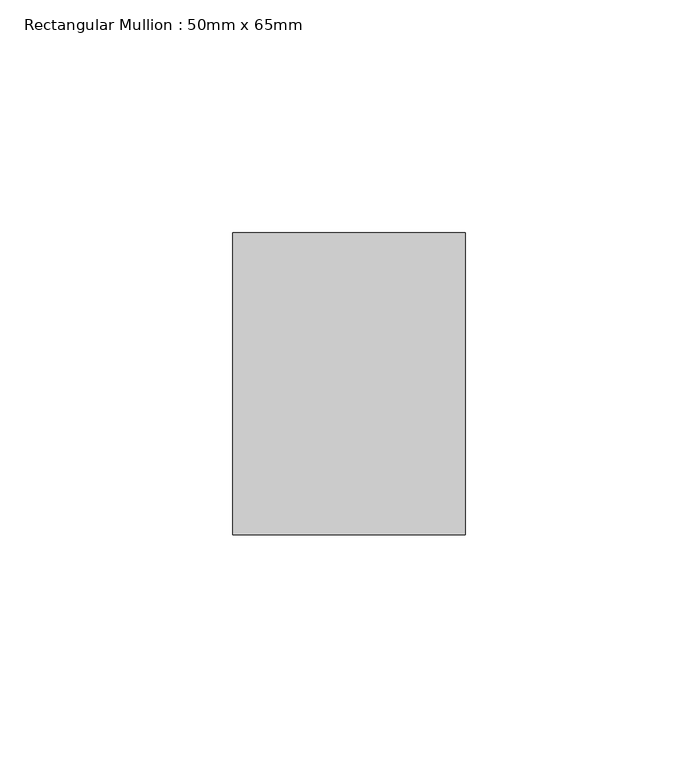
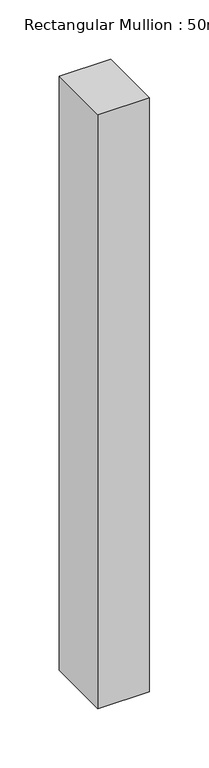
"""IFC4 building model written with IfcOpenShell, lengths in millimetres: member geometry, Rectangular Mullion : 50mm x 65mm."""

from ifc_helpers import new_model, si_unit, frame, origin, place, context, project, spatial, polyline, outline, extrude, source, transform, mapped, element, save


def rectangular_mullion_50mm_x_65mm_2ea3e339(model_context):
    return source(origin(), model_context, "Body", "SweptSolid", [
        extrude(outline(polyline([(25.0, 32.5), (25.0, -32.5), (-25.0, -32.5), (-25.0, 32.5), (25.0, 32.5)])), frame((0.0, 0.0, -610.7644349), z_axis=(0.0, 0.0, 1.0), x_axis=(1.0, 0.0, 0.0)), (0.0, 0.0, 1.0), 610.7644349),
    ])


if __name__ == "__main__":
    model = new_model("IFC4")
    model_context = context("Model", 3, world=origin())
    ifc_project = project(units=[si_unit("LENGTHUNIT", "METRE", prefix="MILLI")], contexts=[model_context])
    site = spatial("IfcSite", under=ifc_project)
    building = spatial("IfcBuilding", under=site)
    placement = place(None, origin())
    rectangular_mullion_50mm_x_65mm_shape = rectangular_mullion_50mm_x_65mm_2ea3e339(model_context)
    element("IfcMember", 1, ObjectType="Rectangular Mullion : 50mm x 65mm", at=placement, inside=building, context=model_context, shape_type="MappedRepresentation", body=[
        mapped(rectangular_mullion_50mm_x_65mm_shape, transform((0.0, 0.0, 0.0), x_axis=(1.0, 0.0, 0.0), y_axis=(0.0, 1.0, 0.0), z_axis=(0.0, 0.0, 1.0))),
    ])
    save(model, "model.ifc")
